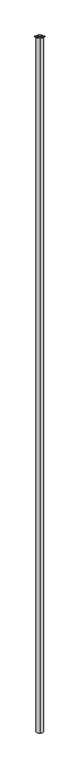
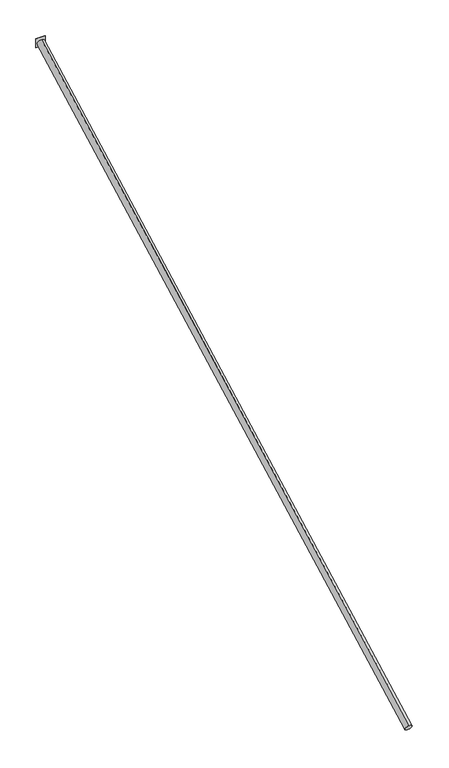
"""IFC4 building model written with IfcOpenShell, lengths in millimetres: proxy geometry."""

from ifc_helpers import new_model, si_unit, point, frame, origin, origin_2d, place, context, project, spatial, polyline, circle_curve, trimmed, segment, composite_curve, outline, extrude, source, transform, mapped, element, save


def generic_models_b2c26a9a(model_context):
    return source(origin(), model_context, "Body", "SweptSolid", [
        extrude(outline(polyline([(101.6, 0.0), (-101.6, 0.0), (-101.6, 12.7), (101.6, 12.7), (101.6, 0.0)])), frame((0.0, 0.0, -101.6), z_axis=(0.0, 0.0, 1.0), x_axis=(1.0, 0.0, 0.0)), (0.0, 0.0, 1.0), 203.2),
        extrude(outline(composite_curve([segment(trimmed(circle_curve(origin_2d(), 76.2), [point((0.0, -76.2))], [point((0.0, 76.2))], False, "CARTESIAN"), True, "CONTINUOUS"), segment(trimmed(circle_curve(origin_2d(), 76.2), [point((0.0, 76.2))], [point((0.0, -76.2))], False, "CARTESIAN"), True, "CONTINUOUS")], self_intersect=False)), frame((0.0, -13725.2437415, -7297.8415492), z_axis=(0.0, 0.882947592858924, 0.46947156278589636), x_axis=(1.0, 0.0, 0.0)), (0.0, 0.0, 1.0), 15544.8),
    ])


if __name__ == "__main__":
    model = new_model("IFC4")
    model_context = context("Model", 3, world=origin())
    ifc_project = project(units=[si_unit("LENGTHUNIT", "METRE", prefix="MILLI")], contexts=[model_context])
    site = spatial("IfcSite", under=ifc_project)
    building = spatial("IfcBuilding", under=site)
    placement = place(None, origin())
    generic_models_shape = generic_models_b2c26a9a(model_context)
    element("IfcBuildingElementProxy", 1, Name="Generic Models", at=placement, inside=building, context=model_context, shape_type="MappedRepresentation", body=[
        mapped(generic_models_shape, transform((0.0, 0.0, 0.0), x_axis=(1.0, 0.0, 0.0), y_axis=(0.0, 1.0, 0.0), z_axis=(0.0, 0.0, 1.0))),
    ])
    save(model, "model.ifc")
